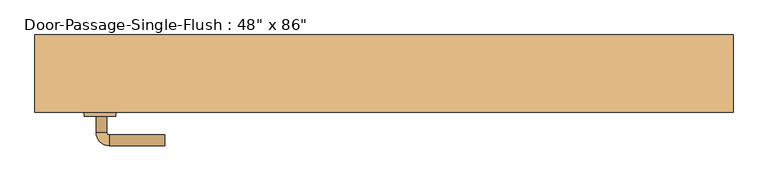
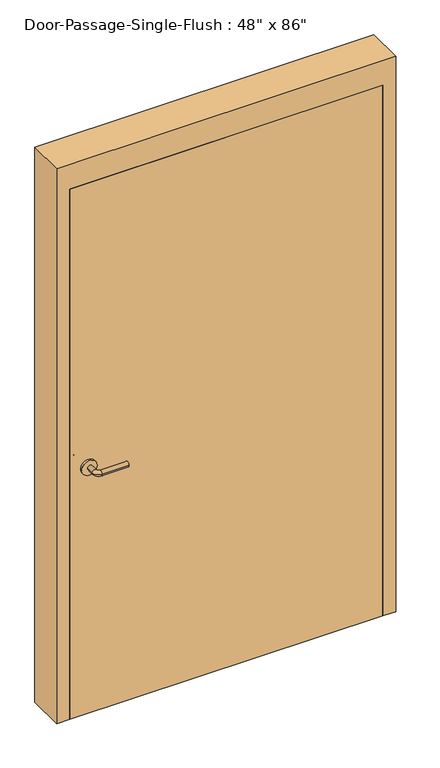
"""IFC4 building model written with IfcOpenShell, lengths in millimetres: door geometry."""

from ifc_helpers import new_model, si_unit, point, frame, frame_2d, origin, origin_with_axes, place, context, project, spatial, polyline, circle_curve, ellipse_curve, trimmed, segment, composite_curve, outline, extrude, faceted_brep, source, transform, mapped, element, save
from ifc_brep_helpers import plane_surface, cylinder_surface, revolved_surface, advanced_brep


def door_6a8052e7(model_context):
    return source(origin(), model_context, "Body", "SolidModel", [
        advanced_brep(
        [(-544.590625, -38.5, 1016.0), (-524.590625, -38.5, 1016.0), (-544.590625, -8.5, 1016.0), (-524.590625, -8.5, 1016.0), (-519.590625, -3.5, 1016.0), (-519.590625, 16.5, 1016.0), (-414.590625, 16.5, 1016.0), (-414.590625, -3.5, 1016.0)],
        [
            (0, 1, circle_curve(frame((-534.590625, -38.5, 1016.0), z_axis=(0.0, -1.0, 0.0), x_axis=(1.0, 0.0, 0.0)), 10.0)),
            (1, 0, circle_curve(frame((-534.590625, -38.5, 1016.0), z_axis=(0.0, -1.0, 0.0), x_axis=(1.0, 0.0, 0.0)), 10.0)),
            (0, 2),
            (2, 3, circle_curve(frame((-534.590625, -8.5, 1016.0), z_axis=(0.0, -1.0, 0.0), x_axis=(1.0, 0.0, 0.0)), 10.0)),
            (3, 1),
            (3, 2, circle_curve(frame((-534.590625, -8.5, 1016.0), z_axis=(0.0, -1.0, 0.0), x_axis=(1.0, 0.0, 0.0)), 10.0)),
            (4, 3, circle_curve(frame((-519.590625, -8.5, 1016.0), z_axis=(0.0, 0.0, 1.0), x_axis=(-1.0, 0.0, 0.0)), 5.0)),
            (2, 5, circle_curve(frame((-519.590625, -8.5, 1016.0), z_axis=(0.0, 0.0, -1.0), x_axis=(-1.0, 0.0, 0.0)), 25.0)),
            (5, 4, circle_curve(frame((-519.590625, 6.5, 1016.0), z_axis=(-1.0, 0.0, 0.0), x_axis=(0.0, -1.0, 0.0)), 10.0)),
            (4, 5, circle_curve(frame((-519.590625, 6.5, 1016.0), z_axis=(-1.0, 0.0, 0.0), x_axis=(0.0, -1.0, 0.0)), 10.0)),
            (6, 7, circle_curve(frame((-414.590625, 6.5, 1016.0), z_axis=(1.0, 0.0, 0.0), x_axis=(0.0, -1.0, 0.0)), 10.0)),
            (7, 6, circle_curve(frame((-414.590625, 6.5, 1016.0), z_axis=(1.0, 0.0, 0.0), x_axis=(0.0, -1.0, 0.0)), 10.0)),
            (5, 6),
            (7, 4),
        ],
        [
            plane_surface(frame((-534.590625, -38.5, 1016.0), z_axis=(0.0, -1.0, 0.0), x_axis=(0.0, 0.0, 1.0))),
            cylinder_surface(frame((-534.590625, -38.5, 1016.0), z_axis=(0.0, -1.0, 0.0), x_axis=(1.0, 0.0, 0.0)), 10.0),
            revolved_surface(trimmed(ellipse_curve(frame((-534.590625, -8.5, 1016.0), z_axis=(0.0, -1.0, 0.0), x_axis=(1.0, 0.0, 0.0)), 10.0, 10.0), [point((-544.590625, -8.5, 1016.0))], [point((-524.590625, -8.5, 1016.0))], True, "CARTESIAN"), (-519.590625, -8.5, 1016.0), (0.0, 0.0, -1.0)),
            revolved_surface(trimmed(ellipse_curve(frame((-534.590625, -8.5, 1016.0), z_axis=(0.0, -1.0, 0.0), x_axis=(1.0, 0.0, 0.0)), 10.0, 10.0), [point((-524.590625, -8.5, 1016.0))], [point((-544.590625, -8.5, 1016.0))], True, "CARTESIAN"), (-519.590625, -8.5, 1016.0), (0.0, 0.0, -1.0)),
            plane_surface(frame((-414.590625, 6.5, 1016.0), z_axis=(1.0, 0.0, 0.0), x_axis=(0.0, 0.0, 1.0))),
            cylinder_surface(frame((-519.590625, 6.5, 1016.0), z_axis=(-1.0, 0.0, 0.0), x_axis=(0.0, -1.0, 0.0)), 10.0),
        ],
        [
            (0, [[1, 2]]),
            (1, [[-1, 3, 4, 5]]),
            (1, [[-2, -5, 6, -3]]),
            (2, [[7, -4, 8, 9]]),
            (3, [[-8, -6, -7, 10]]),
            (4, [[11, 12]]),
            (5, [[-9, 13, -12, 14]]),
            (5, [[-10, -14, -11, -13]]),
        ],
    ),
        extrude(outline(composite_curve([segment(trimmed(circle_curve(frame_2d((1016.0, -537.090625)), 30.0), [point((1016.0, -567.090625))], [point((1016.0, -507.090625))], False, "CARTESIAN"), True, "CONTINUOUS"), segment(trimmed(circle_curve(frame_2d((1016.0, -537.090625)), 30.0), [point((1016.0, -507.090625))], [point((1016.0, -567.090625))], False, "CARTESIAN"), True, "CONTINUOUS")], self_intersect=False)), frame((0.0, -46.5, 0.0), z_axis=(0.0, 1.0, 0.0), x_axis=(0.0, 0.0, 1.0)), (0.0, 0.0, 1.0), 8.0),
        advanced_brep(
        [(-544.590625, -98.95, 1016.0), (-524.590625, -98.95, 1016.0), (-524.590625, -128.95, 1016.0), (-544.590625, -128.95, 1016.0), (-519.590625, -133.95, 1016.0), (-519.590625, -153.95, 1016.0), (-414.590625, -153.95, 1016.0), (-414.590625, -133.95, 1016.0)],
        [
            (0, 1, circle_curve(frame((-534.590625, -98.95, 1016.0), z_axis=(0.0, 1.0, 0.0), x_axis=(1.0, 0.0, 0.0)), 10.0)),
            (1, 0, circle_curve(frame((-534.590625, -98.95, 1016.0), z_axis=(0.0, 1.0, 0.0), x_axis=(1.0, 0.0, 0.0)), 10.0)),
            (1, 2),
            (2, 3, circle_curve(frame((-534.590625, -128.95, 1016.0), z_axis=(0.0, 1.0, 0.0), x_axis=(1.0, 0.0, 0.0)), 10.0)),
            (3, 0),
            (3, 2, circle_curve(frame((-534.590625, -128.95, 1016.0), z_axis=(0.0, 1.0, 0.0), x_axis=(1.0, 0.0, 0.0)), 10.0)),
            (4, 5, circle_curve(frame((-519.590625, -143.95, 1016.0), z_axis=(-1.0, 0.0, 0.0), x_axis=(0.0, 1.0, 0.0)), 10.0)),
            (5, 3, circle_curve(frame((-519.590625, -128.95, 1016.0), z_axis=(0.0, 0.0, -1.0), x_axis=(-1.0, 0.0, 0.0)), 25.0)),
            (2, 4, circle_curve(frame((-519.590625, -128.95, 1016.0), z_axis=(0.0, 0.0, 1.0), x_axis=(-1.0, 0.0, 0.0)), 5.0)),
            (5, 4, circle_curve(frame((-519.590625, -143.95, 1016.0), z_axis=(-1.0, 0.0, 0.0), x_axis=(0.0, 1.0, 0.0)), 10.0)),
            (6, 7, circle_curve(frame((-414.590625, -143.95, 1016.0), z_axis=(1.0, 0.0, 0.0), x_axis=(0.0, 1.0, 0.0)), 10.0)),
            (7, 6, circle_curve(frame((-414.590625, -143.95, 1016.0), z_axis=(1.0, 0.0, 0.0), x_axis=(0.0, 1.0, 0.0)), 10.0)),
            (4, 7),
            (6, 5),
        ],
        [
            plane_surface(frame((-534.590625, -98.95, 1016.0), z_axis=(0.0, 1.0, 0.0), x_axis=(0.0, 0.0, 1.0))),
            cylinder_surface(frame((-534.590625, -98.95, 1016.0), z_axis=(0.0, 1.0, 0.0), x_axis=(1.0, 0.0, 0.0)), 10.0),
            revolved_surface(trimmed(ellipse_curve(frame((-534.590625, -128.95, 1016.0), z_axis=(0.0, -1.0, 0.0), x_axis=(1.0, 0.0, 0.0)), 10.0, 10.0), [point((-544.590625, -128.95, 1016.0))], [point((-524.590625, -128.95, 1016.0))], True, "CARTESIAN"), (-519.590625, -128.95, 1016.0), (0.0, 0.0, -1.0)),
            revolved_surface(trimmed(ellipse_curve(frame((-534.590625, -128.95, 1016.0), z_axis=(0.0, -1.0, 0.0), x_axis=(1.0, 0.0, 0.0)), 10.0, 10.0), [point((-524.590625, -128.95, 1016.0))], [point((-544.590625, -128.95, 1016.0))], True, "CARTESIAN"), (-519.590625, -128.95, 1016.0), (0.0, 0.0, -1.0)),
            plane_surface(frame((-414.590625, -143.95, 1016.0), z_axis=(1.0, 0.0, 0.0), x_axis=(0.0, 0.0, 1.0))),
            cylinder_surface(frame((-519.590625, -143.95, 1016.0), z_axis=(-1.0, 0.0, 0.0), x_axis=(0.0, 1.0, 0.0)), 10.0),
        ],
        [
            (0, [[1, 2]]),
            (1, [[3, 4, 5, -2]]),
            (1, [[-5, 6, -3, -1]]),
            (2, [[7, 8, -4, 9]]),
            (3, [[10, -9, -6, -8]]),
            (4, [[11, 12]]),
            (5, [[13, -11, 14, -7]]),
            (5, [[-14, -12, -13, -10]]),
        ],
    ),
        extrude(outline(composite_curve([segment(trimmed(circle_curve(frame_2d((1016.0, -537.090625)), 30.0), [point((1016.0, -567.090625))], [point((1016.0, -507.090625))], False, "CARTESIAN"), True, "CONTINUOUS"), segment(trimmed(circle_curve(frame_2d((1016.0, -537.090625)), 30.0), [point((1016.0, -507.090625))], [point((1016.0, -567.090625))], False, "CARTESIAN"), True, "CONTINUOUS")], self_intersect=False)), frame((0.0, -98.95, 0.0), z_axis=(0.0, 1.0, 0.0), x_axis=(0.0, 0.0, 1.0)), (0.0, 0.0, 1.0), 8.0),
        extrude(outline(polyline([(609.6, -46.5), (609.6, -90.95), (-609.6, -90.95), (-609.6, -46.5), (609.6, -46.5)])), origin_with_axes(), (0.0, 0.0, 1.0), 2184.4),
        faceted_brep([(609.6, -41.7375, 0.0), (593.725, -41.7375, 0.0), (593.725, 5.8875, 0.0), (609.6, 5.8875, 0.0), (609.6, 55.1, 0.0), (660.4, 55.1, 0.0), (660.4, -90.95, 0.0), (609.6, -90.95, 0.0), (609.6, -90.95, 2184.4), (609.6, -41.7375, 2184.4), (660.4, -90.95, 2286.0), (-660.4, -90.95, 2286.0), (-660.4, -90.95, 0.0), (-609.6, -90.95, 0.0), (-609.6, -90.95, 2184.4), (660.4, 55.1, 2286.0), (609.6, 55.1, 2184.4), (-609.6, 55.1, 2184.4), (-609.6, 55.1, 0.0), (-660.4, 55.1, 0.0), (-660.4, 55.1, 2286.0), (609.6, 5.8875, 2184.4), (593.725, 5.8875, 2168.525), (-593.725, 5.8875, 2168.525), (-593.725, 5.8875, 0.0), (-609.6, 5.8875, 0.0), (-609.6, 5.8875, 2184.4), (593.725, -41.7375, 2168.525), (-609.6, -41.7375, 2184.4), (-609.6, -41.7375, 0.0), (-593.725, -41.7375, 0.0), (-593.725, -41.7375, 2168.525)], [[[0, 1, 2, 3, 4, 5, 6, 7]], [[7, 8, 9, 0]], [[6, 10, 11, 12, 13, 14, 8, 7]], [[5, 15, 10, 6]], [[4, 16, 17, 18, 19, 20, 15, 5]], [[3, 21, 16, 4]], [[2, 22, 23, 24, 25, 26, 21, 3]], [[1, 27, 22, 2]], [[0, 9, 28, 29, 30, 31, 27, 1]], [[8, 14, 28, 9]], [[16, 21, 26, 17]], [[22, 27, 31, 23]], [[12, 19, 18, 25, 24, 30, 29, 13]], [[13, 29, 28, 14]], [[11, 20, 19, 12]], [[17, 26, 25, 18]], [[23, 31, 30, 24]], [[15, 20, 11, 10]]]),
    ])


if __name__ == "__main__":
    model = new_model("IFC4")
    model_context = context("Model", 3, world=origin())
    ifc_project = project(units=[si_unit("LENGTHUNIT", "METRE", prefix="MILLI")], contexts=[model_context])
    site = spatial("IfcSite", under=ifc_project)
    building = spatial("IfcBuilding", under=site)
    placement = place(None, origin())
    door_shape = door_6a8052e7(model_context)
    element("IfcDoor", 1, ObjectType="Door-Passage-Single-Flush : 48\" x 86\"", at=placement, inside=building, context=model_context, shape_type="MappedRepresentation", body=[
        mapped(door_shape, transform((0.0, 0.0, 0.0), x_axis=(1.0, 0.0, 0.0), y_axis=(0.0, 1.0, 0.0), z_axis=(0.0, 0.0, 1.0))),
    ])
    save(model, "model.ifc")
